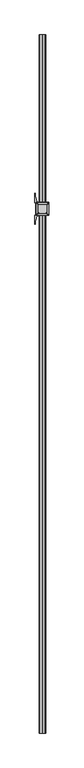
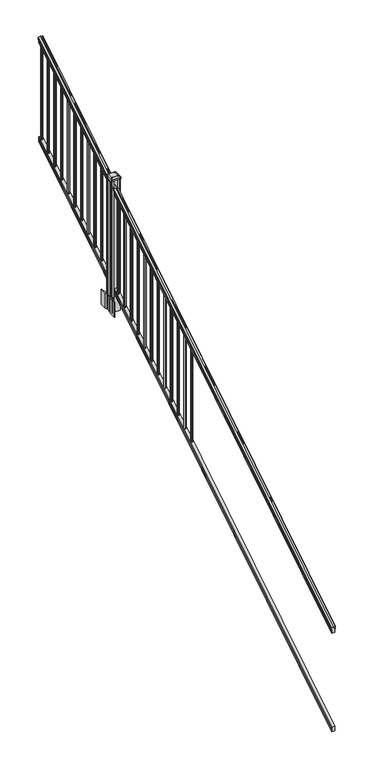
"""IFC4 building model written with IfcOpenShell, lengths in millimetres: railing geometry."""

from ifc_helpers import new_model, si_unit, point, frame, frame_2d, origin, place, context, project, spatial, polyline, circle_curve, ellipse_curve, trimmed, segment, composite_curve, outline, extrude, faceted_brep, source, transform, mapped, element, save
from ifc_brep_helpers import plane_surface, cylinder_surface, revolved_surface, extruded_surface, advanced_brep


def railing_a91210ba(model_context):
    return source(origin(), model_context, "Body", "SolidModel", [
        advanced_brep(
        [(9890.1130321, -22300.2194681, 1285.6070492), (9890.1130321, -22300.2194681, 1287.8335658), (9891.2432184, -22300.2194681, 1289.6758543), (9891.2432184, -22300.2194681, 1298.1876358), (9890.593962, -22300.2194681, 1301.0572588), (9893.093962, -22300.2194681, 1306.1635509), (9894.5033045, -22300.2194681, 1308.1442021), (9894.9052035, -22300.2194681, 1309.4469579), (9894.9052034, -22300.2194681, 1311.0274846), (9893.3517561, -22300.2194681, 1312.8593836), (9872.6802034, -22300.2194681, 1312.8593836), (9852.0086506, -22300.2194681, 1312.8593836), (9850.4552034, -22300.2194681, 1311.0274846), (9850.4552034, -22300.2194681, 1309.4469579), (9850.8571023, -22300.2194681, 1308.1442021), (9852.2664447, -22300.2194681, 1306.1635509), (9854.7664447, -22300.2194681, 1301.0572588), (9854.1171883, -22300.2194681, 1298.1876358), (9854.1171883, -22300.2194681, 1289.6758543), (9855.2473746, -22300.2194681, 1287.8335658), (9855.2473746, -22300.2194681, 1285.6070492), (9857.8212034, -22300.2194681, 1285.6070492), (9857.8212034, -22300.2194681, 1273.225537), (9856.8052034, -22300.2194681, 1272.0274214), (9856.8052034, -22300.2194681, 1257.3), (9888.5552034, -22300.2194681, 1257.3), (9888.5552034, -22300.2194681, 1271.841318), (9887.5392034, -22300.2194681, 1273.0394336), (9887.5392034, -22300.2194681, 1285.6070492), (9890.1130321, -17423.4194681, 4333.6070492), (9887.5392034, -17423.4194681, 4333.6070492), (9887.5392034, -17423.4194681, 4321.0394336), (9888.5552034, -17423.4194681, 4319.841318), (9888.5552034, -17423.4194681, 4305.3), (9856.8052034, -17423.4194681, 4305.3), (9856.8052034, -17423.4194681, 4320.0274214), (9857.8212034, -17423.4194681, 4321.225537), (9857.8212034, -17423.4194681, 4333.6070492), (9855.2473746, -17423.4194681, 4333.6070492), (9855.2473746, -17423.4194681, 4335.8335658), (9854.1171883, -17423.4194681, 4337.6758543), (9854.1171883, -17423.4194681, 4346.1876358), (9854.7664447, -17423.4194681, 4349.0572588), (9852.2664447, -17423.4194681, 4354.1635509), (9850.8571023, -17423.4194681, 4356.1442021), (9850.4552033, -17423.4194681, 4357.4469579), (9850.4552034, -17423.4194681, 4359.0274846), (9852.0086506, -17423.4194681, 4360.8593836), (9872.6802034, -17423.4194681, 4360.8593836), (9893.3517561, -17423.4194681, 4360.8593836), (9894.9052034, -17423.4194681, 4359.0274846), (9894.9052034, -17423.4194681, 4357.4469579), (9894.5033045, -17423.4194681, 4356.1442021), (9893.093962, -17423.4194681, 4354.1635509), (9890.593962, -17423.4194681, 4349.0572588), (9891.2432184, -17423.4194681, 4346.1876358), (9891.2432184, -17423.4194681, 4337.6758543), (9890.1130321, -17423.4194681, 4335.8335658)],
        [
            (0, 1),
            (1, 2, ellipse_curve(frame((9883.7982788, -22300.2194681, 1294.6239405), z_axis=(0.0, -1.0, 0.0), x_axis=(0.0, 0.0, -1.0)), 10.0777926, 8.545951)),
            (2, 3, ellipse_curve(frame((9884.2353418, -22300.2194681, 1293.9317451), z_axis=(0.0, -1.0, 0.0), x_axis=(0.0, 0.0, -1.0)), 9.2955186, 7.882584)),
            (3, 4, ellipse_curve(frame((9894.7486659, -22300.2194681, 1300.8275077), z_axis=(0.0, 1.0, 0.0), x_axis=(0.0, 0.0, 1.0)), 4.9048088, 4.1592695)),
            (4, 5, ellipse_curve(frame((9896.0359725, -22300.2194681, 1300.7563208), z_axis=(0.0, 1.0, 0.0), x_axis=(0.0, 0.0, 1.0)), 6.4245301, 5.4479907)),
            (5, 6, ellipse_curve(frame((9894.802814, -22300.2194681, 1306.1602333), z_axis=(0.0, 1.0, 0.0), x_axis=(0.0, 0.0, 1.0)), 2.0151625, 1.7088543)),
            (6, 7, ellipse_curve(frame((9893.1859139, -22300.2194681, 1309.4469579), z_axis=(0.0, -1.0, 0.0), x_axis=(0.0, 0.0, -1.0)), 2.0274681, 1.7192895)),
            (7, 8),
            (8, 9, ellipse_curve(frame((9893.3517561, -22300.2194681, 1311.0274846), z_axis=(0.0, -1.0, 0.0), x_axis=(0.0, 0.0, -1.0)), 1.831899, 1.5534472)),
            (9, 10),
            (10, 11),
            (11, 12, ellipse_curve(frame((9852.0086506, -22300.2194681, 1311.0274846), z_axis=(0.0, -1.0, 0.0), x_axis=(0.0, 0.0, -1.0)), 1.831899, 1.5534472)),
            (12, 13),
            (13, 14, ellipse_curve(frame((9852.1744928, -22300.2194681, 1309.4469579), z_axis=(0.0, -1.0, 0.0), x_axis=(0.0, 0.0, -1.0)), 2.0274681, 1.7192895)),
            (14, 15, ellipse_curve(frame((9850.5575927, -22300.2194681, 1306.1602333), z_axis=(0.0, 1.0, 0.0), x_axis=(0.0, 0.0, 1.0)), 2.0151625, 1.7088543)),
            (15, 16, ellipse_curve(frame((9849.3244343, -22300.2194681, 1300.7563208), z_axis=(0.0, 1.0, 0.0), x_axis=(0.0, 0.0, 1.0)), 6.4245301, 5.4479907)),
            (16, 17, ellipse_curve(frame((9850.6117408, -22300.2194681, 1300.8275077), z_axis=(0.0, 1.0, 0.0), x_axis=(0.0, 0.0, 1.0)), 4.9048088, 4.1592695)),
            (17, 18, ellipse_curve(frame((9861.125065, -22300.2194681, 1293.9317451), z_axis=(0.0, -1.0, 0.0), x_axis=(0.0, 0.0, -1.0)), 9.2955186, 7.882584)),
            (18, 19, ellipse_curve(frame((9861.5621279, -22300.2194681, 1294.6239405), z_axis=(0.0, -1.0, 0.0), x_axis=(0.0, 0.0, -1.0)), 10.0777926, 8.545951)),
            (19, 20),
            (20, 21, ellipse_curve(frame((9856.534289, -22300.2194681, 1285.6070492), z_axis=(0.0, -1.0, 0.0), x_axis=(0.0, 0.0, -1.0)), 1.5175907, 1.2869144)),
            (21, 22),
            (22, 23),
            (23, 24),
            (24, 25),
            (25, 26),
            (26, 27),
            (27, 28),
            (28, 0, ellipse_curve(frame((9888.8261177, -22300.2194681, 1285.6070492), z_axis=(0.0, -1.0, 0.0), x_axis=(0.0, 0.0, -1.0)), 1.5175907, 1.2869144)),
            (29, 30, ellipse_curve(frame((9888.8261177, -17423.4194681, 4333.6070492), z_axis=(0.0, 1.0, 0.0), x_axis=(0.0, 0.0, -1.0)), 1.5175907, 1.2869144)),
            (30, 31),
            (31, 32),
            (32, 33),
            (33, 34),
            (34, 35),
            (35, 36),
            (36, 37),
            (37, 38, ellipse_curve(frame((9856.534289, -17423.4194681, 4333.6070492), z_axis=(0.0, 1.0, 0.0), x_axis=(0.0, 0.0, -1.0)), 1.5175907, 1.2869144)),
            (38, 39),
            (39, 40, ellipse_curve(frame((9861.5621279, -17423.4194681, 4342.6239405), z_axis=(0.0, 1.0, 0.0), x_axis=(0.0, 0.0, -1.0)), 10.0777926, 8.545951)),
            (40, 41, ellipse_curve(frame((9861.125065, -17423.4194681, 4341.9317451), z_axis=(0.0, 1.0, 0.0), x_axis=(0.0, 0.0, -1.0)), 9.2955186, 7.882584)),
            (41, 42, ellipse_curve(frame((9850.6117408, -17423.4194681, 4348.8275077), z_axis=(0.0, -1.0, 0.0), x_axis=(0.0, 0.0, 1.0)), 4.9048088, 4.1592695)),
            (42, 43, ellipse_curve(frame((9849.3244343, -17423.4194681, 4348.7563208), z_axis=(0.0, -1.0, 0.0), x_axis=(0.0, 0.0, 1.0)), 6.4245301, 5.4479907)),
            (43, 44, ellipse_curve(frame((9850.5575927, -17423.4194681, 4354.1602333), z_axis=(0.0, -1.0, 0.0), x_axis=(0.0, 0.0, 1.0)), 2.0151625, 1.7088543)),
            (44, 45, ellipse_curve(frame((9852.1744928, -17423.4194681, 4357.4469579), z_axis=(0.0, 1.0, 0.0), x_axis=(0.0, 0.0, -1.0)), 2.0274681, 1.7192895)),
            (45, 46),
            (46, 47, ellipse_curve(frame((9852.0086506, -17423.4194681, 4359.0274846), z_axis=(0.0, 1.0, 0.0), x_axis=(0.0, 0.0, -1.0)), 1.831899, 1.5534472)),
            (47, 48),
            (48, 49),
            (49, 50, ellipse_curve(frame((9893.3517561, -17423.4194681, 4359.0274846), z_axis=(0.0, 1.0, 0.0), x_axis=(0.0, 0.0, -1.0)), 1.831899, 1.5534472)),
            (50, 51),
            (51, 52, ellipse_curve(frame((9893.1859139, -17423.4194681, 4357.4469579), z_axis=(0.0, 1.0, 0.0), x_axis=(0.0, 0.0, -1.0)), 2.0274681, 1.7192895)),
            (52, 53, ellipse_curve(frame((9894.802814, -17423.4194681, 4354.1602333), z_axis=(0.0, -1.0, 0.0), x_axis=(0.0, 0.0, 1.0)), 2.0151625, 1.7088543)),
            (53, 54, ellipse_curve(frame((9896.0359725, -17423.4194681, 4348.7563208), z_axis=(0.0, -1.0, 0.0), x_axis=(0.0, 0.0, 1.0)), 6.4245301, 5.4479907)),
            (54, 55, ellipse_curve(frame((9894.7486659, -17423.4194681, 4348.8275077), z_axis=(0.0, -1.0, 0.0), x_axis=(0.0, 0.0, 1.0)), 4.9048088, 4.1592695)),
            (55, 56, ellipse_curve(frame((9884.2353418, -17423.4194681, 4341.9317451), z_axis=(0.0, 1.0, 0.0), x_axis=(0.0, 0.0, -1.0)), 9.2955186, 7.882584)),
            (56, 57, ellipse_curve(frame((9883.7982788, -17423.4194681, 4342.6239405), z_axis=(0.0, 1.0, 0.0), x_axis=(0.0, 0.0, -1.0)), 10.0777926, 8.545951)),
            (57, 29),
            (28, 30),
            (29, 0),
            (27, 31),
            (26, 32),
            (25, 33),
            (24, 34),
            (23, 35),
            (22, 36),
            (21, 37),
            (20, 38),
            (19, 39),
            (18, 40),
            (17, 41),
            (16, 42),
            (15, 43),
            (14, 44),
            (13, 45),
            (12, 46),
            (11, 47),
            (10, 48),
            (9, 49),
            (8, 50),
            (7, 51),
            (6, 52),
            (5, 53),
            (4, 54),
            (3, 55),
            (2, 56),
            (1, 57),
        ],
        [
            plane_surface(frame((9872.6802034, -22300.2194681, 1257.3), z_axis=(0.0, -1.0, 0.0), x_axis=(0.0, 0.0, 1.0))),
            plane_surface(frame((9872.6802034, -17423.4194681, 4305.3), z_axis=(0.0, 1.0, 0.0), x_axis=(0.0, 0.0, 1.0))),
            cylinder_surface(frame((9888.8261177, -22312.9417374, 1277.6556309), z_axis=(0.0, -0.8479983040051251, -0.5299989400031206), x_axis=(-1.0, 0.0, 0.0)), 1.2869144),
            plane_surface(frame((9887.5392034, -22300.2194681, 1273.0394336), z_axis=(1.0000000000000002, 0.0, 0.0), x_axis=(0.0, 0.8479983040051251, 0.5299989400031208))),
            plane_surface(frame((9888.5552034, -22300.2194681, 1271.841318), z_axis=(0.707106781186539, -0.37476584449789424, 0.5996253511967223), x_axis=(0.0, 0.8479983040051252, 0.5299989400031206))),
            plane_surface(frame((9888.5552034, -22300.2194681, 1257.3), z_axis=(1.0000000000000002, 0.0, 0.0), x_axis=(0.0, 0.8479983040051252, 0.5299989400031206))),
            plane_surface(frame((9856.8052034, -22300.2194681, 1257.3), z_axis=(0.0, 0.5299989400031206, -0.8479983040051252), x_axis=(0.0, 0.8479983040051252, 0.5299989400031206))),
            plane_surface(frame((9856.8052034, -22300.2194681, 1272.0274214), z_axis=(-1.0, 0.0, 0.0), x_axis=(0.0, 0.8479983040051251, 0.5299989400031206))),
            plane_surface(frame((9857.8212034, -22300.2194681, 1273.225537), z_axis=(-0.7071067811865439, -0.37476584449788997, 0.5996253511967192), x_axis=(0.0, 0.8479983040051251, 0.5299989400031208))),
            plane_surface(frame((9857.8212034, -22300.2194681, 1285.6070492), z_axis=(-1.0000000000000002, 0.0, 0.0), x_axis=(0.0, 0.8479983040051251, 0.5299989400031208))),
            cylinder_surface(frame((9856.534289, -22312.9417374, 1277.6556309), z_axis=(0.0, -0.8479983040051251, -0.5299989400031206), x_axis=(1.0, 0.0, 0.0)), 1.2869144),
            plane_surface(frame((9855.2473746, -22300.2194681, 1287.8335658), z_axis=(-1.0000000000000002, 0.0, 0.0), x_axis=(0.0, 0.8479983040051251, 0.5299989400031208))),
            cylinder_surface(frame((9861.5621279, -22316.9942728, 1284.1396876), z_axis=(0.0, -0.8479983040051251, -0.5299989400031206), x_axis=(1.0, 0.0, 0.0)), 8.545951),
            cylinder_surface(frame((9861.125065, -22316.6831737, 1283.641929), z_axis=(0.0, -0.8479983040051251, -0.5299989400031206), x_axis=(1.0, 0.0, 0.0)), 7.882584),
            revolved_surface(polyline([(9854.771010299999, -17421.21505965035, 4350.205262980556), (9854.771010299999, -22302.423876549437, 1299.4497524191004)]), (9850.6117408, -22319.7823929, 1288.6006797), (0.0, 0.8479983040051251, 0.5299989400031206)),
            revolved_surface(polyline([(9854.772425000001, -17420.53203883574, 4350.5609640771845), (9854.772425000001, -22303.10689735281, 1298.9516775044929)]), (9849.3244343, -22319.7503988, 1288.5494891), (0.0, 0.8479983040051251, 0.5299989400031206)),
            revolved_surface(polyline([(9852.266447000002, -17422.513777099786, 4354.726290199656), (9852.266447000002, -22301.12515912247, 1305.594176435953)]), (9850.5575927, -22322.1791235, 1292.4354487), (0.0, 0.8479983040051251, 0.5299989400031206)),
            cylinder_surface(frame((9852.1744928, -22323.6563031, 1294.798936), z_axis=(0.0, -0.8479983040051251, -0.5299989400031206), x_axis=(1.0, 0.0, 0.0)), 1.7192895),
            plane_surface(frame((9850.4552034, -22300.2194681, 1311.0274846), z_axis=(-1.0000000000000002, 0.0, 0.0), x_axis=(0.0, 0.8479983040051251, 0.5299989400031208))),
            cylinder_surface(frame((9852.0086506, -22324.3666522, 1295.9354945), z_axis=(0.0, -0.8479983040051251, -0.5299989400031206), x_axis=(1.0, 0.0, 0.0)), 1.5534472),
            plane_surface(frame((9872.6802034, -22300.2194681, 1312.8593836), z_axis=(0.0, -0.5299989400031208, 0.8479983040051251), x_axis=(0.0, 0.8479983040051251, 0.5299989400031208))),
            plane_surface(frame((9893.3517561, -22300.2194681, 1312.8593836), z_axis=(0.0, -0.5299989400031208, 0.8479983040051251), x_axis=(0.0, 0.8479983040051251, 0.5299989400031208))),
            cylinder_surface(frame((9893.3517561, -22324.3666522, 1295.9354945), z_axis=(0.0, -0.8479983040051251, -0.5299989400031206), x_axis=(-1.0, 0.0, 0.0)), 1.5534472),
            plane_surface(frame((9894.9052034, -22300.2194681, 1309.4469579), z_axis=(1.0000000000000002, 0.0, 0.0), x_axis=(0.0, 0.8479983040051251, 0.5299989400031208))),
            cylinder_surface(frame((9893.1859139, -22323.6563031, 1294.798936), z_axis=(0.0, -0.8479983040051251, -0.5299989400031206), x_axis=(-1.0, 0.0, 0.0)), 1.7192895),
            revolved_surface(polyline([(9893.0939597, -17422.513777099786, 4354.726290199656), (9893.0939597, -22301.12515912247, 1305.594176435953)]), (9894.802814, -22322.1791235, 1292.4354487), (0.0, 0.8479983040051251, 0.5299989400031206)),
            revolved_surface(polyline([(9890.5879818, -17420.53203883574, 4350.5609640771845), (9890.5879818, -22303.10689735281, 1298.9516775044929)]), (9896.0359725, -22319.7503988, 1288.5494891), (0.0, 0.8479983040051251, 0.5299989400031206)),
            revolved_surface(polyline([(9890.5893964, -17421.21505965035, 4350.205262980556), (9890.5893964, -22302.423876549437, 1299.4497524191004)]), (9894.7486659, -22319.7823929, 1288.6006797), (0.0, 0.8479983040051251, 0.5299989400031206)),
            cylinder_surface(frame((9884.2353418, -22316.6831737, 1283.641929), z_axis=(0.0, -0.8479983040051251, -0.5299989400031206), x_axis=(-1.0, 0.0, 0.0)), 7.882584),
            cylinder_surface(frame((9883.7982788, -22316.9942728, 1284.1396876), z_axis=(0.0, -0.8479983040051251, -0.5299989400031206), x_axis=(-1.0, 0.0, 0.0)), 8.545951),
            plane_surface(frame((9890.1130321, -22300.2194681, 1285.6070492), z_axis=(1.0000000000000002, 0.0, 0.0), x_axis=(0.0, 0.8479983040051251, 0.5299989400031208))),
        ],
        [
            (0, [[1, 2, 3, 4, 5, 6, 7, 8, 9, 10, 11, 12, 13, 14, 15, 16, 17, 18, 19, 20, 21, 22, 23, 24, 25, 26, 27, 28, 29]]),
            (1, [[30, 31, 32, 33, 34, 35, 36, 37, 38, 39, 40, 41, 42, 43, 44, 45, 46, 47, 48, 49, 50, 51, 52, 53, 54, 55, 56, 57, 58]]),
            (2, [[-29, 59, -30, 60]]),
            (3, [[-28, 61, -31, -59]]),
            (4, [[-27, 62, -32, -61]]),
            (5, [[-26, 63, -33, -62]]),
            (6, [[-25, 64, -34, -63]]),
            (7, [[-24, 65, -35, -64]]),
            (8, [[-23, 66, -36, -65]]),
            (9, [[-22, 67, -37, -66]]),
            (10, [[-21, 68, -38, -67]]),
            (11, [[-20, 69, -39, -68]]),
            (12, [[-19, 70, -40, -69]]),
            (13, [[-18, 71, -41, -70]]),
            (14, [[-17, 72, -42, -71]]),
            (15, [[-16, 73, -43, -72]]),
            (16, [[-15, 74, -44, -73]]),
            (17, [[-14, 75, -45, -74]]),
            (18, [[-13, 76, -46, -75]]),
            (19, [[-12, 77, -47, -76]]),
            (20, [[-11, 78, -48, -77]]),
            (21, [[-10, 79, -49, -78]]),
            (22, [[-9, 80, -50, -79]]),
            (23, [[-8, 81, -51, -80]]),
            (24, [[-7, 82, -52, -81]]),
            (25, [[-6, 83, -53, -82]]),
            (26, [[-5, 84, -54, -83]]),
            (27, [[-4, 85, -55, -84]]),
            (28, [[-3, 86, -56, -85]]),
            (29, [[-2, 87, -57, -86]]),
            (30, [[-1, -60, -58, -87]]),
        ],
    ),
        faceted_brep([(9888.5926903, -22300.2194681, 268.8045079), (9887.5766903, -22300.2194681, 270.338026), (9887.5766903, -22300.2194681, 282.5545048), (9888.5926903, -22300.2194681, 284.1444579), (9888.5926903, -22300.2194681, 298.9244744), (9856.8426903, -22300.2194681, 298.9244744), (9856.8426903, -22300.2194681, 284.1248272), (9857.8586903, -22300.2194681, 282.5348741), (9857.8586903, -22300.2194681, 270.3748303), (9856.8426903, -22300.2194681, 268.7848772), (9856.8426903, -22300.2194681, 254.0), (9888.5926903, -22300.2194681, 254.0), (9888.5926903, -17423.4194681, 3316.8045079), (9888.5926903, -17423.4194681, 3302.0), (9856.8426903, -17423.4194681, 3302.0), (9856.8426903, -17423.4194681, 3316.7848772), (9857.8586903, -17423.4194681, 3318.3748303), (9857.8586903, -17423.4194681, 3330.5348741), (9856.8426903, -17423.4194681, 3332.1248272), (9856.8426903, -17423.4194681, 3346.9244744), (9888.5926903, -17423.4194681, 3346.9244744), (9888.5926903, -17423.4194681, 3332.1444579), (9887.5766903, -17423.4194681, 3330.5545048), (9887.5766903, -17423.4194681, 3318.338026)], [[[0, 1, 2, 3, 4, 5, 6, 7, 8, 9, 10, 11]], [[12, 13, 14, 15, 16, 17, 18, 19, 20, 21, 22, 23]], [[0, 11, 13, 12]], [[11, 10, 14, 13]], [[10, 9, 15, 14]], [[9, 8, 16, 15]], [[8, 7, 17, 16]], [[7, 6, 18, 17]], [[6, 5, 19, 18]], [[5, 4, 20, 19]], [[4, 3, 21, 20]], [[3, 2, 22, 21]], [[2, 1, 23, 22]], [[1, 0, 12, 23]]]),
        extrude(outline(composite_curve([segment(trimmed(circle_curve(frame_2d((9872.6802034, -17445.0094681)), 9.525), [point((9882.2052034, -17445.0094681))], [point((9872.6802034, -17454.5344681))], False, "CARTESIAN"), True, "CONTINUOUS"), segment(trimmed(circle_curve(frame_2d((9872.6802034, -17445.0094681)), 9.525), [point((9872.6802034, -17454.5344681))], [point((9863.1552034, -17445.0094681))], False, "CARTESIAN"), True, "CONTINUOUS"), segment(trimmed(circle_curve(frame_2d((9872.6802034, -17445.0094681)), 9.525), [point((9863.1552034, -17445.0094681))], [point((9872.6802034, -17435.4844681))], False, "CARTESIAN"), True, "CONTINUOUS"), segment(trimmed(circle_curve(frame_2d((9872.6802034, -17445.0094681)), 9.525), [point((9872.6802034, -17435.4844681))], [point((9882.2052034, -17445.0094681))], False, "CARTESIAN"), True, "CONTINUOUS")], self_intersect=False)), frame((0.0, 0.0, 3326.6021281), z_axis=(0.0, 0.0, 1.0), x_axis=(1.0, 0.0, 0.0)), (0.0, 0.0, 1.0), 965.2041219),
        extrude(outline(composite_curve([segment(trimmed(circle_curve(frame_2d((9872.6802034, -17556.2614681)), 9.525), [point((9882.2052034, -17556.2614681))], [point((9872.6802034, -17565.7864681))], False, "CARTESIAN"), True, "CONTINUOUS"), segment(trimmed(circle_curve(frame_2d((9872.6802034, -17556.2614681)), 9.525), [point((9872.6802034, -17565.7864681))], [point((9863.1552034, -17556.2614681))], False, "CARTESIAN"), True, "CONTINUOUS"), segment(trimmed(circle_curve(frame_2d((9872.6802034, -17556.2614681)), 9.525), [point((9863.1552034, -17556.2614681))], [point((9872.6802034, -17546.7364681))], False, "CARTESIAN"), True, "CONTINUOUS"), segment(trimmed(circle_curve(frame_2d((9872.6802034, -17556.2614681)), 9.525), [point((9872.6802034, -17546.7364681))], [point((9882.2052034, -17556.2614681))], False, "CARTESIAN"), True, "CONTINUOUS")], self_intersect=False)), frame((0.0, 0.0, 3257.0696281), z_axis=(0.0, 0.0, 1.0), x_axis=(1.0, 0.0, 0.0)), (0.0, 0.0, 1.0), 965.2041219),
        extrude(outline(composite_curve([segment(trimmed(circle_curve(frame_2d((9872.6802034, -17667.5134681)), 9.525), [point((9882.2052034, -17667.5134681))], [point((9872.6802034, -17677.0384681))], False, "CARTESIAN"), True, "CONTINUOUS"), segment(trimmed(circle_curve(frame_2d((9872.6802034, -17667.5134681)), 9.525), [point((9872.6802034, -17677.0384681))], [point((9863.1552034, -17667.5134681))], False, "CARTESIAN"), True, "CONTINUOUS"), segment(trimmed(circle_curve(frame_2d((9872.6802034, -17667.5134681)), 9.525), [point((9863.1552034, -17667.5134681))], [point((9872.6802034, -17657.9884681))], False, "CARTESIAN"), True, "CONTINUOUS"), segment(trimmed(circle_curve(frame_2d((9872.6802034, -17667.5134681)), 9.525), [point((9872.6802034, -17657.9884681))], [point((9882.2052034, -17667.5134681))], False, "CARTESIAN"), True, "CONTINUOUS")], self_intersect=False)), frame((0.0, 0.0, 3187.5371281), z_axis=(0.0, 0.0, 1.0), x_axis=(1.0, 0.0, 0.0)), (0.0, 0.0, 1.0), 965.2041219),
        extrude(outline(composite_curve([segment(trimmed(circle_curve(frame_2d((9872.6802034, -17778.7654681)), 9.525), [point((9882.2052034, -17778.7654681))], [point((9872.6802034, -17788.2904681))], False, "CARTESIAN"), True, "CONTINUOUS"), segment(trimmed(circle_curve(frame_2d((9872.6802034, -17778.7654681)), 9.525), [point((9872.6802034, -17788.2904681))], [point((9863.1552034, -17778.7654681))], False, "CARTESIAN"), True, "CONTINUOUS"), segment(trimmed(circle_curve(frame_2d((9872.6802034, -17778.7654681)), 9.525), [point((9863.1552034, -17778.7654681))], [point((9872.6802034, -17769.2404681))], False, "CARTESIAN"), True, "CONTINUOUS"), segment(trimmed(circle_curve(frame_2d((9872.6802034, -17778.7654681)), 9.525), [point((9872.6802034, -17769.2404681))], [point((9882.2052034, -17778.7654681))], False, "CARTESIAN"), True, "CONTINUOUS")], self_intersect=False)), frame((0.0, 0.0, 3118.0046281), z_axis=(0.0, 0.0, 1.0), x_axis=(1.0, 0.0, 0.0)), (0.0, 0.0, 1.0), 965.2041219),
        extrude(outline(composite_curve([segment(trimmed(circle_curve(frame_2d((9872.6802034, -17890.0174681)), 9.525), [point((9882.2052034, -17890.0174681))], [point((9872.6802034, -17899.5424681))], False, "CARTESIAN"), True, "CONTINUOUS"), segment(trimmed(circle_curve(frame_2d((9872.6802034, -17890.0174681)), 9.525), [point((9872.6802034, -17899.5424681))], [point((9863.1552034, -17890.0174681))], False, "CARTESIAN"), True, "CONTINUOUS"), segment(trimmed(circle_curve(frame_2d((9872.6802034, -17890.0174681)), 9.525), [point((9863.1552034, -17890.0174681))], [point((9872.6802034, -17880.4924681))], False, "CARTESIAN"), True, "CONTINUOUS"), segment(trimmed(circle_curve(frame_2d((9872.6802034, -17890.0174681)), 9.525), [point((9872.6802034, -17880.4924681))], [point((9882.2052034, -17890.0174681))], False, "CARTESIAN"), True, "CONTINUOUS")], self_intersect=False)), frame((0.0, 0.0, 3048.4721281), z_axis=(0.0, 0.0, 1.0), x_axis=(1.0, 0.0, 0.0)), (0.0, 0.0, 1.0), 965.2041219),
        extrude(outline(composite_curve([segment(trimmed(circle_curve(frame_2d((9872.6802034, -18001.2694681)), 9.525), [point((9882.2052034, -18001.2694681))], [point((9872.6802034, -18010.7944681))], False, "CARTESIAN"), True, "CONTINUOUS"), segment(trimmed(circle_curve(frame_2d((9872.6802034, -18001.2694681)), 9.525), [point((9872.6802034, -18010.7944681))], [point((9863.1552034, -18001.2694681))], False, "CARTESIAN"), True, "CONTINUOUS"), segment(trimmed(circle_curve(frame_2d((9872.6802034, -18001.2694681)), 9.525), [point((9863.1552034, -18001.2694681))], [point((9872.6802034, -17991.7444681))], False, "CARTESIAN"), True, "CONTINUOUS"), segment(trimmed(circle_curve(frame_2d((9872.6802034, -18001.2694681)), 9.525), [point((9872.6802034, -17991.7444681))], [point((9882.2052034, -18001.2694681))], False, "CARTESIAN"), True, "CONTINUOUS")], self_intersect=False)), frame((0.0, 0.0, 2978.9396281), z_axis=(0.0, 0.0, 1.0), x_axis=(1.0, 0.0, 0.0)), (0.0, 0.0, 1.0), 965.2041219),
        extrude(outline(composite_curve([segment(trimmed(circle_curve(frame_2d((9872.6802034, -18112.5214681)), 9.525), [point((9882.2052034, -18112.5214681))], [point((9872.6802034, -18122.0464681))], False, "CARTESIAN"), True, "CONTINUOUS"), segment(trimmed(circle_curve(frame_2d((9872.6802034, -18112.5214681)), 9.525), [point((9872.6802034, -18122.0464681))], [point((9863.1552034, -18112.5214681))], False, "CARTESIAN"), True, "CONTINUOUS"), segment(trimmed(circle_curve(frame_2d((9872.6802034, -18112.5214681)), 9.525), [point((9863.1552034, -18112.5214681))], [point((9872.6802034, -18102.9964681))], False, "CARTESIAN"), True, "CONTINUOUS"), segment(trimmed(circle_curve(frame_2d((9872.6802034, -18112.5214681)), 9.525), [point((9872.6802034, -18102.9964681))], [point((9882.2052034, -18112.5214681))], False, "CARTESIAN"), True, "CONTINUOUS")], self_intersect=False)), frame((0.0, 0.0, 2909.4071281), z_axis=(0.0, 0.0, 1.0), x_axis=(1.0, 0.0, 0.0)), (0.0, 0.0, 1.0), 965.2041219),
        extrude(outline(composite_curve([segment(trimmed(circle_curve(frame_2d((9872.6802034, -18223.7734681)), 9.525), [point((9882.2052034, -18223.7734681))], [point((9872.6802034, -18233.2984681))], False, "CARTESIAN"), True, "CONTINUOUS"), segment(trimmed(circle_curve(frame_2d((9872.6802034, -18223.7734681)), 9.525), [point((9872.6802034, -18233.2984681))], [point((9863.1552034, -18223.7734681))], False, "CARTESIAN"), True, "CONTINUOUS"), segment(trimmed(circle_curve(frame_2d((9872.6802034, -18223.7734681)), 9.525), [point((9863.1552034, -18223.7734681))], [point((9872.6802034, -18214.2484681))], False, "CARTESIAN"), True, "CONTINUOUS"), segment(trimmed(circle_curve(frame_2d((9872.6802034, -18223.7734681)), 9.525), [point((9872.6802034, -18214.2484681))], [point((9882.2052034, -18223.7734681))], False, "CARTESIAN"), True, "CONTINUOUS")], self_intersect=False)), frame((0.0, 0.0, 2839.8746281), z_axis=(0.0, 0.0, 1.0), x_axis=(1.0, 0.0, 0.0)), (0.0, 0.0, 1.0), 965.2041219),
        extrude(outline(composite_curve([segment(trimmed(circle_curve(frame_2d((9872.6802034, -18335.0254681)), 9.525), [point((9882.2052034, -18335.0254681))], [point((9872.6802034, -18344.5504681))], False, "CARTESIAN"), True, "CONTINUOUS"), segment(trimmed(circle_curve(frame_2d((9872.6802034, -18335.0254681)), 9.525), [point((9872.6802034, -18344.5504681))], [point((9863.1552034, -18335.0254681))], False, "CARTESIAN"), True, "CONTINUOUS"), segment(trimmed(circle_curve(frame_2d((9872.6802034, -18335.0254681)), 9.525), [point((9863.1552034, -18335.0254681))], [point((9872.6802034, -18325.5004681))], False, "CARTESIAN"), True, "CONTINUOUS"), segment(trimmed(circle_curve(frame_2d((9872.6802034, -18335.0254681)), 9.525), [point((9872.6802034, -18325.5004681))], [point((9882.2052034, -18335.0254681))], False, "CARTESIAN"), True, "CONTINUOUS")], self_intersect=False)), frame((0.0, 0.0, 2770.3421281), z_axis=(0.0, 0.0, 1.0), x_axis=(1.0, 0.0, 0.0)), (0.0, 0.0, 1.0), 965.2041219),
        extrude(outline(composite_curve([segment(trimmed(circle_curve(frame_2d((9872.6802034, -18446.2774681)), 9.525), [point((9882.2052034, -18446.2774681))], [point((9872.6802034, -18455.8024681))], False, "CARTESIAN"), True, "CONTINUOUS"), segment(trimmed(circle_curve(frame_2d((9872.6802034, -18446.2774681)), 9.525), [point((9872.6802034, -18455.8024681))], [point((9863.1552034, -18446.2774681))], False, "CARTESIAN"), True, "CONTINUOUS"), segment(trimmed(circle_curve(frame_2d((9872.6802034, -18446.2774681)), 9.525), [point((9863.1552034, -18446.2774681))], [point((9872.6802034, -18436.7524681))], False, "CARTESIAN"), True, "CONTINUOUS"), segment(trimmed(circle_curve(frame_2d((9872.6802034, -18446.2774681)), 9.525), [point((9872.6802034, -18436.7524681))], [point((9882.2052034, -18446.2774681))], False, "CARTESIAN"), True, "CONTINUOUS")], self_intersect=False)), frame((0.0, 0.0, 2700.8096281), z_axis=(0.0, 0.0, 1.0), x_axis=(1.0, 0.0, 0.0)), (0.0, 0.0, 1.0), 965.2041219),
        extrude(outline(composite_curve([segment(trimmed(circle_curve(frame_2d((9872.6802034, -18557.5294681)), 9.525), [point((9882.2052034, -18557.5294681))], [point((9872.6802034, -18567.0544681))], False, "CARTESIAN"), True, "CONTINUOUS"), segment(trimmed(circle_curve(frame_2d((9872.6802034, -18557.5294681)), 9.525), [point((9872.6802034, -18567.0544681))], [point((9863.1552034, -18557.5294681))], False, "CARTESIAN"), True, "CONTINUOUS"), segment(trimmed(circle_curve(frame_2d((9872.6802034, -18557.5294681)), 9.525), [point((9863.1552034, -18557.5294681))], [point((9872.6802034, -18548.0044681))], False, "CARTESIAN"), True, "CONTINUOUS"), segment(trimmed(circle_curve(frame_2d((9872.6802034, -18557.5294681)), 9.525), [point((9872.6802034, -18548.0044681))], [point((9882.2052034, -18557.5294681))], False, "CARTESIAN"), True, "CONTINUOUS")], self_intersect=False)), frame((0.0, 0.0, 2631.2771281), z_axis=(0.0, 0.0, 1.0), x_axis=(1.0, 0.0, 0.0)), (0.0, 0.0, 1.0), 965.2041219),
        extrude(outline(composite_curve([segment(polyline([(9915.4157034, -18655.941563), (9917.0032034, -18656.703563), (9917.0032034, -18679.505491), (9913.6302263, -18682.8784681), (9852.1705555, -18682.8784681), (9852.1705555, -18683.7992181), (9846.8530117, -18683.7992181), (9846.8530117, -18685.2534728), (9841.768482, -18685.2534728), (9841.768482, -18686.5374966), (9840.1012097, -18686.5374966)]), True, "CONTINUOUS"), segment(trimmed(circle_curve(frame_2d((9840.1012097, -18693.5969565)), 7.0594599), [point((9840.1012097, -18686.5374966))], [point((9833.3339468, -18691.5869498))], True, "CARTESIAN"), True, "CONTINUOUS"), segment(polyline([(9833.3339468, -18691.5869498), (9825.4597526, -18718.0976789)]), True, "CONTINUOUS"), segment(trimmed(circle_curve(frame_2d((9880.2442659, -18734.3697285)), 57.15), [point((9825.4597526, -18718.0976789))], [point((9823.0942659, -18734.3697285))], True, "CARTESIAN"), True, "CONTINUOUS"), segment(polyline([(9823.0942659, -18734.3697285), (9823.0942659, -18746.3784681), (9820.0942659, -18746.3784681), (9820.0942659, -18681.2909681), (9828.3572034, -18669.9526768), (9828.3572034, -18656.703563), (9829.9447034, -18655.941563), (9829.9447034, -18621.1693732), (9828.3572034, -18620.4073732), (9828.3572034, -18607.1582594), (9820.0942659, -18595.8199681), (9820.0942659, -18530.7324681), (9823.0942659, -18530.7324681), (9823.0942659, -18542.7412076)]), True, "CONTINUOUS"), segment(trimmed(circle_curve(frame_2d((9880.2442659, -18542.7412076)), 57.15), [point((9823.0942659, -18542.7412076))], [point((9825.4597526, -18559.0132573))], True, "CARTESIAN"), True, "CONTINUOUS"), segment(polyline([(9825.4597526, -18559.0132573), (9833.3339468, -18585.5239864)]), True, "CONTINUOUS"), segment(trimmed(circle_curve(frame_2d((9840.1012097, -18583.5139797)), 7.0594599), [point((9833.3339468, -18585.5239864))], [point((9840.1012097, -18590.5734396))], True, "CARTESIAN"), True, "CONTINUOUS"), segment(polyline([(9840.1012097, -18590.5734396), (9841.768482, -18590.5734396), (9841.768482, -18591.8574634), (9846.8530117, -18591.8574634), (9846.8530117, -18593.3117181), (9852.1705555, -18593.3117181), (9852.1705555, -18594.2324681), (9913.6302263, -18594.2324681), (9917.0032034, -18597.6054452), (9917.0032034, -18620.4073732), (9915.4157034, -18621.1693732), (9915.4157034, -18655.941563)]), True, "CONTINUOUS")], self_intersect=False), holes=[polyline([(9831.4052034, -18598.8679681), (9831.4052034, -18678.2429681), (9832.9927034, -18679.8304681), (9869.916986, -18679.8304681), (9912.3677034, -18679.8304681), (9913.9552034, -18678.2429681), (9913.9552034, -18598.8679681), (9912.3677034, -18597.2804681), (9869.916986, -18597.2804681), (9832.9927034, -18597.2804681), (9831.4052034, -18598.8679681)])]), frame((0.0, 0.0, 2326.64), z_axis=(0.0, 0.0, 1.0), x_axis=(1.0, 0.0, 0.0)), (0.0, 0.0, 1.0), 152.4),
        advanced_brep(
        [(9846.8833284, -18667.5273431, 3691.379263), (9898.4770784, -18667.5273431, 3691.379263), (9901.6520784, -18664.3523431, 3691.379263), (9901.6520784, -18612.7585931, 3691.379263), (9898.4770784, -18609.5835931, 3691.379263), (9846.8833284, -18609.5835931, 3691.379263), (9843.7083284, -18612.7585931, 3691.379263), (9843.7083284, -18664.3523431, 3691.379263), (9830.6114534, -18683.7992181, 3680.076263), (9827.4364534, -18680.6242181, 3680.076263), (9827.4364534, -18596.4867181, 3680.076263), (9830.6114534, -18593.3117181, 3680.076263), (9914.7489534, -18593.3117181, 3680.076263), (9917.9239534, -18596.4867181, 3680.076263), (9917.9239534, -18680.6242181, 3680.076263), (9914.7489534, -18683.7992181, 3680.076263)],
        [
            (0, 1),
            (1, 2, circle_curve(frame((9898.4770784, -18664.3523431, 3691.379263), z_axis=(0.0, 0.0, 1.0), x_axis=(0.0, 1.0, 0.0)), 3.175)),
            (2, 3),
            (3, 4, circle_curve(frame((9898.4770784, -18612.7585931, 3691.379263), z_axis=(0.0, 0.0, 1.0), x_axis=(0.0, 1.0, 0.0)), 3.175)),
            (4, 5),
            (5, 6, circle_curve(frame((9846.8833284, -18612.7585931, 3691.379263), z_axis=(0.0, 0.0, 1.0), x_axis=(0.0, 1.0, 0.0)), 3.175)),
            (6, 7),
            (7, 0, circle_curve(frame((9846.8833284, -18664.3523431, 3691.379263), z_axis=(0.0, 0.0, 1.0), x_axis=(0.0, 1.0, 0.0)), 3.175)),
            (8, 9, circle_curve(frame((9830.6114534, -18680.6242181, 3680.076263), z_axis=(0.0, 0.0, -1.0), x_axis=(0.0, 1.0, 0.0)), 3.175)),
            (9, 10),
            (10, 11, circle_curve(frame((9830.6114534, -18596.4867181, 3680.076263), z_axis=(0.0, 0.0, -1.0), x_axis=(0.0, 1.0, 0.0)), 3.175)),
            (11, 12),
            (12, 13, circle_curve(frame((9914.7489534, -18596.4867181, 3680.076263), z_axis=(0.0, 0.0, -1.0), x_axis=(0.0, 1.0, 0.0)), 3.175)),
            (13, 14),
            (14, 15, circle_curve(frame((9914.7489534, -18680.6242181, 3680.076263), z_axis=(0.0, 0.0, -1.0), x_axis=(0.0, 1.0, 0.0)), 3.175)),
            (15, 8),
            (8, 0),
            (7, 9),
            (6, 10),
            (5, 11),
            (4, 12),
            (3, 13),
            (2, 14),
            (1, 15),
        ],
        [
            plane_surface(frame((9872.6802034, -18638.5554681, 3691.379263), z_axis=(0.0, 0.0, 1.0), x_axis=(-1.0, 0.0, 0.0))),
            plane_surface(frame((9872.6802034, -18638.5554681, 3680.076263), z_axis=(0.0, 0.0, -1.0), x_axis=(-1.0, 0.0, 0.0))),
            extruded_surface(trimmed(circle_curve(frame((9846.8833284, -18664.3523431, 3691.379263), z_axis=(0.0, 0.0, -1.0), x_axis=(0.0, 1.0, 0.0)), 3.175), [point((9846.8833284, -18667.5273431, 3691.379263))], [point((9843.7083284, -18664.3523431, 3691.379263))], True, "CARTESIAN"), (-16.271874999998545, -16.271875000002183, -11.302999999999884), 25.637972638866575),
            plane_surface(frame((9827.4364534, -18638.5554681, 3680.076263), z_axis=(-0.5705009161540778, 0.0, 0.8212969649690408), x_axis=(0.0, 1.0, 0.0))),
            extruded_surface(trimmed(circle_curve(frame((9846.8833284, -18612.7585931, 3691.379263), z_axis=(0.0, 0.0, -1.0), x_axis=(0.0, 1.0, 0.0)), 3.175), [point((9843.7083284, -18612.7585931, 3691.379263))], [point((9846.8833284, -18609.5835931, 3691.379263))], True, "CARTESIAN"), (-16.271874999998545, 16.271874999998545, -11.302999999999884), 25.637972638864262),
            plane_surface(frame((9872.6802034, -18593.3117181, 3680.076263), z_axis=(0.0, 0.5705009161540291, 0.8212969649690747), x_axis=(1.0, 0.0, 0.0))),
            extruded_surface(trimmed(circle_curve(frame((9898.4770784, -18612.7585931, 3691.379263), z_axis=(0.0, 0.0, -1.0), x_axis=(0.0, 1.0, 0.0)), 3.175), [point((9898.4770784, -18609.5835931, 3691.379263))], [point((9901.6520784, -18612.7585931, 3691.379263))], True, "CARTESIAN"), (16.271875000000364, 16.271874999998545, -11.302999999999884), 25.63797263886542),
            plane_surface(frame((9917.9239534, -18638.5554681, 3680.076263), z_axis=(0.5705009161540142, 0.0, 0.8212969649690851), x_axis=(0.0, -1.0, 0.0))),
            extruded_surface(trimmed(circle_curve(frame((9898.4770784, -18664.3523431, 3691.379263), z_axis=(0.0, 0.0, -1.0), x_axis=(0.0, 1.0, 0.0)), 3.175), [point((9901.6520784, -18664.3523431, 3691.379263))], [point((9898.4770784, -18667.5273431, 3691.379263))], True, "CARTESIAN"), (16.271875000000364, -16.271875000002183, -11.302999999999884), 25.637972638867726),
            plane_surface(frame((9872.6802034, -18683.7992181, 3680.076263), z_axis=(0.0, -0.570500916154034, 0.8212969649690713), x_axis=(-1.0, 0.0, 0.0))),
        ],
        [
            (0, [[1, 2, 3, 4, 5, 6, 7, 8]]),
            (1, [[9, 10, 11, 12, 13, 14, 15, 16]]),
            (2, [[17, -8, 18, -9]]),
            (3, [[-18, -7, 19, -10]]),
            (4, [[-19, -6, 20, -11]]),
            (5, [[-20, -5, 21, -12]]),
            (6, [[-21, -4, 22, -13]]),
            (7, [[-22, -3, 23, -14]]),
            (8, [[-23, -2, 24, -15]]),
            (9, [[-24, -1, -17, -16]]),
        ],
    ),
        extrude(outline(composite_curve([segment(trimmed(circle_curve(frame_2d((9830.6114534, -18680.6242181)), 3.175), [point((9830.6114534, -18683.7992181))], [point((9827.4364534, -18680.6242181))], False, "CARTESIAN"), True, "CONTINUOUS"), segment(polyline([(9827.4364534, -18680.6242181), (9827.4364534, -18596.4867181)]), True, "CONTINUOUS"), segment(trimmed(circle_curve(frame_2d((9830.6114534, -18596.4867181)), 3.175), [point((9827.4364534, -18596.4867181))], [point((9830.6114534, -18593.3117181))], False, "CARTESIAN"), True, "CONTINUOUS"), segment(polyline([(9830.6114534, -18593.3117181), (9914.7489534, -18593.3117181)]), True, "CONTINUOUS"), segment(trimmed(circle_curve(frame_2d((9914.7489534, -18596.4867181)), 3.175), [point((9914.7489534, -18593.3117181))], [point((9917.9239534, -18596.4867181))], False, "CARTESIAN"), True, "CONTINUOUS"), segment(polyline([(9917.9239534, -18596.4867181), (9917.9239534, -18680.6242181)]), True, "CONTINUOUS"), segment(trimmed(circle_curve(frame_2d((9914.7489534, -18680.6242181)), 3.175), [point((9917.9239534, -18680.6242181))], [point((9914.7489534, -18683.7992181))], False, "CARTESIAN"), True, "CONTINUOUS"), segment(polyline([(9914.7489534, -18683.7992181), (9830.6114534, -18683.7992181)]), True, "CONTINUOUS")], self_intersect=False)), frame((0.0, 0.0, 3662.804263), z_axis=(0.0, 0.0, 1.0), x_axis=(1.0, 0.0, 0.0)), (0.0, 0.0, 1.0), 17.272),
        extrude(outline(polyline([(9832.9927034, -18679.8304681), (9831.4052034, -18678.2429681), (9831.4052034, -18658.6214681), (9832.9927034, -18657.8594681), (9832.9927034, -18619.2514681), (9831.4052034, -18618.4894681), (9831.4052034, -18598.8679681), (9832.9927034, -18597.2804681), (9852.6142034, -18597.2804681), (9853.3762034, -18598.8679681), (9891.9842034, -18598.8679681), (9892.7462034, -18597.2804681), (9912.3677034, -18597.2804681), (9913.9552034, -18598.8679681), (9913.9552034, -18618.4894681), (9912.3677034, -18619.2514681), (9912.3677034, -18657.8594681), (9913.9552034, -18658.6214681), (9913.9552034, -18678.2429681), (9912.3677034, -18679.8304681), (9892.7462034, -18679.8304681), (9891.9842034, -18678.2429681), (9853.3762034, -18678.2429681), (9852.6142034, -18679.8304681), (9832.9927034, -18679.8304681)])), frame((0.0, 0.0, 2479.04), z_axis=(0.0, 0.0, 1.0), x_axis=(1.0, 0.0, 0.0)), (0.0, 0.0, 1.0), 1183.764263),
        extrude(outline(composite_curve([segment(trimmed(circle_curve(frame_2d((9872.6802034, -18719.5814681)), 9.525), [point((9882.2052034, -18719.5814681))], [point((9872.6802034, -18729.1064681))], False, "CARTESIAN"), True, "CONTINUOUS"), segment(trimmed(circle_curve(frame_2d((9872.6802034, -18719.5814681)), 9.525), [point((9872.6802034, -18729.1064681))], [point((9863.1552034, -18719.5814681))], False, "CARTESIAN"), True, "CONTINUOUS"), segment(trimmed(circle_curve(frame_2d((9872.6802034, -18719.5814681)), 9.525), [point((9863.1552034, -18719.5814681))], [point((9872.6802034, -18710.0564681))], False, "CARTESIAN"), True, "CONTINUOUS"), segment(trimmed(circle_curve(frame_2d((9872.6802034, -18719.5814681)), 9.525), [point((9872.6802034, -18710.0564681))], [point((9882.2052034, -18719.5814681))], False, "CARTESIAN"), True, "CONTINUOUS")], self_intersect=False)), frame((0.0, 0.0, 2529.9946281), z_axis=(0.0, 0.0, 1.0), x_axis=(1.0, 0.0, 0.0)), (0.0, 0.0, 1.0), 965.2041219),
        extrude(outline(composite_curve([segment(trimmed(circle_curve(frame_2d((9872.6802034, -18830.8334681)), 9.525), [point((9882.2052034, -18830.8334681))], [point((9872.6802034, -18840.3584681))], False, "CARTESIAN"), True, "CONTINUOUS"), segment(trimmed(circle_curve(frame_2d((9872.6802034, -18830.8334681)), 9.525), [point((9872.6802034, -18840.3584681))], [point((9863.1552034, -18830.8334681))], False, "CARTESIAN"), True, "CONTINUOUS"), segment(trimmed(circle_curve(frame_2d((9872.6802034, -18830.8334681)), 9.525), [point((9863.1552034, -18830.8334681))], [point((9872.6802034, -18821.3084681))], False, "CARTESIAN"), True, "CONTINUOUS"), segment(trimmed(circle_curve(frame_2d((9872.6802034, -18830.8334681)), 9.525), [point((9872.6802034, -18821.3084681))], [point((9882.2052034, -18830.8334681))], False, "CARTESIAN"), True, "CONTINUOUS")], self_intersect=False)), frame((0.0, 0.0, 2460.4621281), z_axis=(0.0, 0.0, 1.0), x_axis=(1.0, 0.0, 0.0)), (0.0, 0.0, 1.0), 965.2041219),
        extrude(outline(composite_curve([segment(trimmed(circle_curve(frame_2d((9872.6802034, -18942.0854681)), 9.525), [point((9882.2052034, -18942.0854681))], [point((9872.6802034, -18951.6104681))], False, "CARTESIAN"), True, "CONTINUOUS"), segment(trimmed(circle_curve(frame_2d((9872.6802034, -18942.0854681)), 9.525), [point((9872.6802034, -18951.6104681))], [point((9863.1552034, -18942.0854681))], False, "CARTESIAN"), True, "CONTINUOUS"), segment(trimmed(circle_curve(frame_2d((9872.6802034, -18942.0854681)), 9.525), [point((9863.1552034, -18942.0854681))], [point((9872.6802034, -18932.5604681))], False, "CARTESIAN"), True, "CONTINUOUS"), segment(trimmed(circle_curve(frame_2d((9872.6802034, -18942.0854681)), 9.525), [point((9872.6802034, -18932.5604681))], [point((9882.2052034, -18942.0854681))], False, "CARTESIAN"), True, "CONTINUOUS")], self_intersect=False)), frame((0.0, 0.0, 2390.9296281), z_axis=(0.0, 0.0, 1.0), x_axis=(1.0, 0.0, 0.0)), (0.0, 0.0, 1.0), 965.2041219),
        extrude(outline(composite_curve([segment(trimmed(circle_curve(frame_2d((9872.6802034, -19053.3374681)), 9.525), [point((9882.2052034, -19053.3374681))], [point((9872.6802034, -19062.8624681))], False, "CARTESIAN"), True, "CONTINUOUS"), segment(trimmed(circle_curve(frame_2d((9872.6802034, -19053.3374681)), 9.525), [point((9872.6802034, -19062.8624681))], [point((9863.1552034, -19053.3374681))], False, "CARTESIAN"), True, "CONTINUOUS"), segment(trimmed(circle_curve(frame_2d((9872.6802034, -19053.3374681)), 9.525), [point((9863.1552034, -19053.3374681))], [point((9872.6802034, -19043.8124681))], False, "CARTESIAN"), True, "CONTINUOUS"), segment(trimmed(circle_curve(frame_2d((9872.6802034, -19053.3374681)), 9.525), [point((9872.6802034, -19043.8124681))], [point((9882.2052034, -19053.3374681))], False, "CARTESIAN"), True, "CONTINUOUS")], self_intersect=False)), frame((0.0, 0.0, 2321.3971281), z_axis=(0.0, 0.0, 1.0), x_axis=(1.0, 0.0, 0.0)), (0.0, 0.0, 1.0), 965.2041219),
        extrude(outline(composite_curve([segment(trimmed(circle_curve(frame_2d((9872.6802034, -19164.5894681)), 9.525), [point((9882.2052034, -19164.5894681))], [point((9872.6802034, -19174.1144681))], False, "CARTESIAN"), True, "CONTINUOUS"), segment(trimmed(circle_curve(frame_2d((9872.6802034, -19164.5894681)), 9.525), [point((9872.6802034, -19174.1144681))], [point((9863.1552034, -19164.5894681))], False, "CARTESIAN"), True, "CONTINUOUS"), segment(trimmed(circle_curve(frame_2d((9872.6802034, -19164.5894681)), 9.525), [point((9863.1552034, -19164.5894681))], [point((9872.6802034, -19155.0644681))], False, "CARTESIAN"), True, "CONTINUOUS"), segment(trimmed(circle_curve(frame_2d((9872.6802034, -19164.5894681)), 9.525), [point((9872.6802034, -19155.0644681))], [point((9882.2052034, -19164.5894681))], False, "CARTESIAN"), True, "CONTINUOUS")], self_intersect=False)), frame((0.0, 0.0, 2251.8646281), z_axis=(0.0, 0.0, 1.0), x_axis=(1.0, 0.0, 0.0)), (0.0, 0.0, 1.0), 965.2041219),
        extrude(outline(composite_curve([segment(trimmed(circle_curve(frame_2d((9872.6802034, -19275.8414681)), 9.525), [point((9882.2052034, -19275.8414681))], [point((9872.6802034, -19285.3664681))], False, "CARTESIAN"), True, "CONTINUOUS"), segment(trimmed(circle_curve(frame_2d((9872.6802034, -19275.8414681)), 9.525), [point((9872.6802034, -19285.3664681))], [point((9863.1552034, -19275.8414681))], False, "CARTESIAN"), True, "CONTINUOUS"), segment(trimmed(circle_curve(frame_2d((9872.6802034, -19275.8414681)), 9.525), [point((9863.1552034, -19275.8414681))], [point((9872.6802034, -19266.3164681))], False, "CARTESIAN"), True, "CONTINUOUS"), segment(trimmed(circle_curve(frame_2d((9872.6802034, -19275.8414681)), 9.525), [point((9872.6802034, -19266.3164681))], [point((9882.2052034, -19275.8414681))], False, "CARTESIAN"), True, "CONTINUOUS")], self_intersect=False)), frame((0.0, 0.0, 2182.3321281), z_axis=(0.0, 0.0, 1.0), x_axis=(1.0, 0.0, 0.0)), (0.0, 0.0, 1.0), 965.2041219),
        extrude(outline(composite_curve([segment(trimmed(circle_curve(frame_2d((9872.6802034, -19387.0934681)), 9.525), [point((9882.2052034, -19387.0934681))], [point((9872.6802034, -19396.6184681))], False, "CARTESIAN"), True, "CONTINUOUS"), segment(trimmed(circle_curve(frame_2d((9872.6802034, -19387.0934681)), 9.525), [point((9872.6802034, -19396.6184681))], [point((9863.1552034, -19387.0934681))], False, "CARTESIAN"), True, "CONTINUOUS"), segment(trimmed(circle_curve(frame_2d((9872.6802034, -19387.0934681)), 9.525), [point((9863.1552034, -19387.0934681))], [point((9872.6802034, -19377.5684681))], False, "CARTESIAN"), True, "CONTINUOUS"), segment(trimmed(circle_curve(frame_2d((9872.6802034, -19387.0934681)), 9.525), [point((9872.6802034, -19377.5684681))], [point((9882.2052034, -19387.0934681))], False, "CARTESIAN"), True, "CONTINUOUS")], self_intersect=False)), frame((0.0, 0.0, 2112.7996281), z_axis=(0.0, 0.0, 1.0), x_axis=(1.0, 0.0, 0.0)), (0.0, 0.0, 1.0), 965.2041219),
        extrude(outline(composite_curve([segment(trimmed(circle_curve(frame_2d((9872.6802034, -19498.3454681)), 9.525), [point((9882.2052034, -19498.3454681))], [point((9872.6802034, -19507.8704681))], False, "CARTESIAN"), True, "CONTINUOUS"), segment(trimmed(circle_curve(frame_2d((9872.6802034, -19498.3454681)), 9.525), [point((9872.6802034, -19507.8704681))], [point((9863.1552034, -19498.3454681))], False, "CARTESIAN"), True, "CONTINUOUS"), segment(trimmed(circle_curve(frame_2d((9872.6802034, -19498.3454681)), 9.525), [point((9863.1552034, -19498.3454681))], [point((9872.6802034, -19488.8204681))], False, "CARTESIAN"), True, "CONTINUOUS"), segment(trimmed(circle_curve(frame_2d((9872.6802034, -19498.3454681)), 9.525), [point((9872.6802034, -19488.8204681))], [point((9882.2052034, -19498.3454681))], False, "CARTESIAN"), True, "CONTINUOUS")], self_intersect=False)), frame((0.0, 0.0, 2043.2671281), z_axis=(0.0, 0.0, 1.0), x_axis=(1.0, 0.0, 0.0)), (0.0, 0.0, 1.0), 965.2041219),
        extrude(outline(composite_curve([segment(trimmed(circle_curve(frame_2d((9872.6802034, -19609.5974681)), 9.525), [point((9882.2052034, -19609.5974681))], [point((9872.6802034, -19619.1224681))], False, "CARTESIAN"), True, "CONTINUOUS"), segment(trimmed(circle_curve(frame_2d((9872.6802034, -19609.5974681)), 9.525), [point((9872.6802034, -19619.1224681))], [point((9863.1552034, -19609.5974681))], False, "CARTESIAN"), True, "CONTINUOUS"), segment(trimmed(circle_curve(frame_2d((9872.6802034, -19609.5974681)), 9.525), [point((9863.1552034, -19609.5974681))], [point((9872.6802034, -19600.0724681))], False, "CARTESIAN"), True, "CONTINUOUS"), segment(trimmed(circle_curve(frame_2d((9872.6802034, -19609.5974681)), 9.525), [point((9872.6802034, -19600.0724681))], [point((9882.2052034, -19609.5974681))], False, "CARTESIAN"), True, "CONTINUOUS")], self_intersect=False)), frame((0.0, 0.0, 1973.7346281), z_axis=(0.0, 0.0, 1.0), x_axis=(1.0, 0.0, 0.0)), (0.0, 0.0, 1.0), 965.2041219),
        extrude(outline(composite_curve([segment(trimmed(circle_curve(frame_2d((9872.6802034, -19720.8494681)), 9.525), [point((9882.2052034, -19720.8494681))], [point((9872.6802034, -19730.3744681))], False, "CARTESIAN"), True, "CONTINUOUS"), segment(trimmed(circle_curve(frame_2d((9872.6802034, -19720.8494681)), 9.525), [point((9872.6802034, -19730.3744681))], [point((9863.1552034, -19720.8494681))], False, "CARTESIAN"), True, "CONTINUOUS"), segment(trimmed(circle_curve(frame_2d((9872.6802034, -19720.8494681)), 9.525), [point((9863.1552034, -19720.8494681))], [point((9872.6802034, -19711.3244681))], False, "CARTESIAN"), True, "CONTINUOUS"), segment(trimmed(circle_curve(frame_2d((9872.6802034, -19720.8494681)), 9.525), [point((9872.6802034, -19711.3244681))], [point((9882.2052034, -19720.8494681))], False, "CARTESIAN"), True, "CONTINUOUS")], self_intersect=False)), frame((0.0, 0.0, 1904.2021281), z_axis=(0.0, 0.0, 1.0), x_axis=(1.0, 0.0, 0.0)), (0.0, 0.0, 1.0), 965.2041219),
        extrude(outline(composite_curve([segment(trimmed(circle_curve(frame_2d((9872.6802034, -19832.1014681)), 9.525), [point((9882.2052034, -19832.1014681))], [point((9872.6802034, -19841.6264681))], False, "CARTESIAN"), True, "CONTINUOUS"), segment(trimmed(circle_curve(frame_2d((9872.6802034, -19832.1014681)), 9.525), [point((9872.6802034, -19841.6264681))], [point((9863.1552034, -19832.1014681))], False, "CARTESIAN"), True, "CONTINUOUS"), segment(trimmed(circle_curve(frame_2d((9872.6802034, -19832.1014681)), 9.525), [point((9863.1552034, -19832.1014681))], [point((9872.6802034, -19822.5764681))], False, "CARTESIAN"), True, "CONTINUOUS"), segment(trimmed(circle_curve(frame_2d((9872.6802034, -19832.1014681)), 9.525), [point((9872.6802034, -19822.5764681))], [point((9882.2052034, -19832.1014681))], False, "CARTESIAN"), True, "CONTINUOUS")], self_intersect=False)), frame((0.0, 0.0, 1834.6696281), z_axis=(0.0, 0.0, 1.0), x_axis=(1.0, 0.0, 0.0)), (0.0, 0.0, 1.0), 965.2041219),
        extrude(outline(composite_curve([segment(trimmed(circle_curve(frame_2d((9872.6802034, -19943.3534681)), 9.525), [point((9882.2052034, -19943.3534681))], [point((9872.6802034, -19952.8784681))], False, "CARTESIAN"), True, "CONTINUOUS"), segment(trimmed(circle_curve(frame_2d((9872.6802034, -19943.3534681)), 9.525), [point((9872.6802034, -19952.8784681))], [point((9863.1552034, -19943.3534681))], False, "CARTESIAN"), True, "CONTINUOUS"), segment(trimmed(circle_curve(frame_2d((9872.6802034, -19943.3534681)), 9.525), [point((9863.1552034, -19943.3534681))], [point((9872.6802034, -19933.8284681))], False, "CARTESIAN"), True, "CONTINUOUS"), segment(trimmed(circle_curve(frame_2d((9872.6802034, -19943.3534681)), 9.525), [point((9872.6802034, -19933.8284681))], [point((9882.2052034, -19943.3534681))], False, "CARTESIAN"), True, "CONTINUOUS")], self_intersect=False)), frame((0.0, 0.0, 1765.1371281), z_axis=(0.0, 0.0, 1.0), x_axis=(1.0, 0.0, 0.0)), (0.0, 0.0, 1.0), 965.2041219),
    ])


if __name__ == "__main__":
    model = new_model("IFC4")
    model_context = context("Model", 3, world=origin())
    ifc_project = project(units=[si_unit("LENGTHUNIT", "METRE", prefix="MILLI")], contexts=[model_context])
    site = spatial("IfcSite", under=ifc_project)
    building = spatial("IfcBuilding", under=site)
    placement = place(None, origin())
    railing_shape = railing_a91210ba(model_context)
    element("IfcRailing", 1, at=placement, inside=building, context=model_context, shape_type="MappedRepresentation", body=[
        mapped(railing_shape, transform((0.0, 0.0, 0.0), x_axis=(1.0, 0.0, 0.0), y_axis=(0.0, 1.0, 0.0), z_axis=(0.0, 0.0, 1.0))),
    ])
    save(model, "model.ifc")
